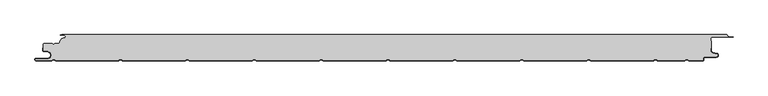
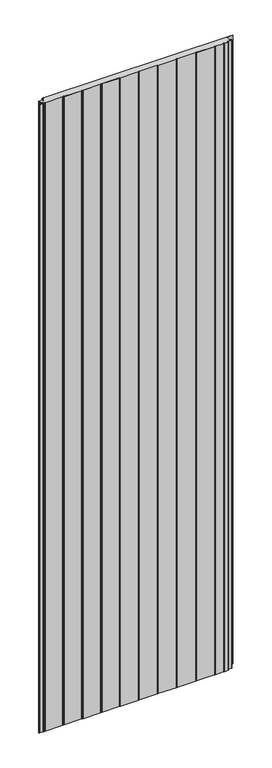
"""IFC4 building model written with IfcOpenShell, lengths in millimetres: plate geometry."""

from ifc_helpers import new_model, si_unit, point, frame, frame_2d, origin, origin_with_axes, place, context, project, spatial, polyline, circle_curve, trimmed, segment, composite_curve, outline, extrude, source, transform, mapped, element, save
from ifc_brep_helpers import plane_surface, cylinder_surface, revolved_surface, advanced_brep


def plate_501153e1(model_context):
    return source(origin(), model_context, "Body", "SolidModel", [
        advanced_brep(
        [(523.8595905, -2.0325427, 3500.0), (522.5460884, -0.8, 3500.0), (-471.6637731, -0.8, 3500.0), (-474.0000003, -1.3234618, 3500.0), (-468.0000003, -1.3234618, 3500.0), (-468.1134423, -5.9206625, 3500.0), (-474.1919837, -12.028303, 3500.0), (-476.0000003, -13.9234618, 3500.0), (-482.1686293, -13.9234618, 3500.0), (-484.0000002, -15.7548327, 3500.0), (-485.831371, -13.9234618, 3500.0), (-497.4, -13.9234618, 3500.0), (-499.2, -15.7234618, 3500.0), (-499.2, -24.0038437, 3500.0), (-498.2083778, -25.185613, 3500.0), (-491.7622998, -26.3222305, 3500.0), (-492.7, -37.0401924, 3500.0), (-509.7, -37.0401924, 3500.0), (-509.7, -39.2401924, 3500.0), (-486.6751286, -39.2401924, 3500.0), (-484.45, -37.9555137, 3500.0), (-482.7606357, -37.9494241, 3500.0), (-480.4557934, -39.2, 3500.0), (-386.6055134, -39.2, 3500.0), (-384.45, -37.9555137, 3500.0), (-382.7606357, -37.9494241, 3500.0), (-380.4557934, -39.2, 3500.0), (-286.6055134, -39.2, 3500.0), (-284.45, -37.9555137, 3500.0), (-282.7606357, -37.9494242, 3500.0), (-280.4557934, -39.2, 3500.0), (-186.6055134, -39.2, 3500.0), (-184.45, -37.9555137, 3500.0), (-182.7606357, -37.9494242, 3500.0), (-180.4557934, -39.2, 3500.0), (-86.6055134, -39.2, 3500.0), (-84.45, -37.9555137, 3500.0), (-82.7606357, -37.9494242, 3500.0), (-80.4557934, -39.2, 3500.0), (13.3944866, -39.2, 3500.0), (15.55, -37.9555137, 3500.0), (17.2393643, -37.9494242, 3500.0), (19.5442066, -39.2, 3500.0), (113.3944866, -39.2, 3500.0), (115.55, -37.9555137, 3500.0), (117.2393643, -37.9494242, 3500.0), (119.5442066, -39.2, 3500.0), (213.3944866, -39.2, 3500.0), (215.55, -37.9555137, 3500.0), (217.2393643, -37.9494242, 3500.0), (219.5442066, -39.2, 3500.0), (313.3944866, -39.2, 3500.0), (315.55, -37.9555137, 3500.0), (317.2393643, -37.9494242, 3500.0), (319.5442066, -39.2, 3500.0), (413.3944866, -39.2, 3500.0), (415.55, -37.9555138, 3500.0), (417.2393643, -37.9494242, 3500.0), (419.5442066, -39.2000001, 3500.0), (460.2243041, -39.2000001, 3500.0), (462.3798174, -37.9555138, 3500.0), (464.0741626, -37.9522634, 3500.0), (466.3793035, -39.2401924, 3500.0), (487.0105556, -39.2401924, 3500.0), (487.6105556, -38.6401924, 3500.0), (487.6105556, -37.2401924, 3500.0), (491.0105556, -33.8401924, 3500.0), (507.5, -33.8401924, 3500.0), (507.9948923, -29.4965783, 3500.0), (501.8351664, -28.0744935, 3500.0), (499.2, -24.7616353, 3500.0), (499.2, -20.6401924, 3500.0), (500.0, -20.6401924, 3500.0), (500.0, -10.3245382, 3500.0), (499.2, -10.3245382, 3500.0), (499.2, -6.8245382, 3500.0), (502.0, -4.0245382, 3500.0), (532.5, -4.0245382, 3500.0), (525.8912786, -3.5911794, 3500.0), (523.8595905, -2.0325427, 0.0), (525.8912786, -3.5911794, 0.0), (532.5, -4.0245382, 0.0), (502.0, -4.0245382, 0.0), (499.2, -6.8245382, 0.0), (499.2, -10.3245382, 0.0), (500.0, -10.3245382, 0.0), (500.0, -20.6401924, 0.0), (499.2, -20.6401924, 0.0), (499.2, -24.7616353, 0.0), (501.8351664, -28.0744935, 0.0), (507.9948923, -29.4965783, 0.0), (507.5, -33.8401924, 0.0), (491.0105556, -33.8401924, 0.0), (487.6105556, -37.2401924, 0.0), (487.6105556, -38.6401924, 0.0), (487.0105556, -39.2401924, 0.0), (466.3793035, -39.2401924, 0.0), (464.0741626, -37.9522634, 0.0), (462.3798174, -37.9555138, 0.0), (460.2243041, -39.2000001, 0.0), (419.5442066, -39.2000001, 0.0), (417.2393643, -37.9494242, 0.0), (415.55, -37.9555138, 0.0), (413.3944866, -39.2, 0.0), (319.5442066, -39.2, 0.0), (317.2393643, -37.9494242, 0.0), (315.55, -37.9555137, 0.0), (313.3944866, -39.2, 0.0), (219.5442066, -39.2, 0.0), (217.2393643, -37.9494242, 0.0), (215.55, -37.9555137, 0.0), (213.3944866, -39.2, 0.0), (119.5442066, -39.2, 0.0), (117.2393643, -37.9494242, 0.0), (115.55, -37.9555137, 0.0), (113.3944866, -39.2, 0.0), (19.5442066, -39.2, 0.0), (17.2393643, -37.9494242, 0.0), (15.55, -37.9555137, 0.0), (13.3944866, -39.2, 0.0), (-80.4557934, -39.2, 0.0), (-82.7606357, -37.9494242, 0.0), (-84.45, -37.9555137, 0.0), (-86.6055134, -39.2, 0.0), (-180.4557934, -39.2, 0.0), (-182.7606357, -37.9494242, 0.0), (-184.45, -37.9555137, 0.0), (-186.6055134, -39.2, 0.0), (-280.4557934, -39.2, 0.0), (-282.7606357, -37.9494242, 0.0), (-284.45, -37.9555137, 0.0), (-286.6055134, -39.2, 0.0), (-380.4557934, -39.2, 0.0), (-382.7606357, -37.9494241, 0.0), (-384.45, -37.9555137, 0.0), (-386.6055134, -39.2, 0.0), (-480.4557934, -39.2, 0.0), (-482.7606357, -37.9494241, 0.0), (-484.45, -37.9555137, 0.0), (-486.6751286, -39.2401924, 0.0), (-509.7, -39.2401924, 0.0), (-509.7, -37.0401924, 0.0), (-492.7, -37.0401924, 0.0), (-491.7622998, -26.3222305, 0.0), (-498.2083778, -25.185613, 0.0), (-499.2, -24.0038437, 0.0), (-499.2, -15.7234618, 0.0), (-497.4, -13.9234618, 0.0), (-485.831371, -13.9234618, 0.0), (-484.0000002, -15.7548327, 0.0), (-482.1686293, -13.9234618, 0.0), (-476.0000003, -13.9234618, 0.0), (-474.2024882, -12.0288559, 0.0), (-468.1139291, -5.930521, 0.0), (-468.0000003, -1.3234618, 0.0), (-474.0000003, -1.3234618, 0.0), (-471.6637731, -0.8, 0.0), (522.5460884, -0.8, 0.0)],
        [
            (0, 1, circle_curve(frame((522.5460884, -2.116161, 3500.0), z_axis=(0.0, 0.0, 1.0), x_axis=(1.0, 0.0, 0.0)), 1.316161)),
            (1, 2),
            (2, 3),
            (3, 4),
            (4, 5, circle_curve(frame((-468.0000003, -3.6234618, 3500.0), z_axis=(0.0, 0.0, -1.0), x_axis=(1.0, 0.0, 0.0)), 2.3)),
            (5, 6, circle_curve(frame((-468.4000003, -11.7234618, 3500.0), z_axis=(0.0, 0.0, 1.0), x_axis=(1.0, 0.0, 0.0)), 5.8)),
            (6, 7, circle_curve(frame((-476.0000003, -12.1234618, 3500.0), z_axis=(0.0, 0.0, -1.0), x_axis=(1.0, 0.0, 0.0)), 1.8)),
            (7, 8),
            (8, 9),
            (9, 10),
            (10, 11),
            (11, 12, circle_curve(frame((-497.4, -15.7234618, 3500.0), z_axis=(0.0, 0.0, 1.0), x_axis=(1.0, 0.0, 0.0)), 1.8)),
            (12, 13),
            (13, 14, circle_curve(frame((-498.0, -24.0038437, 3500.0), z_axis=(0.0, 0.0, 1.0), x_axis=(1.0, 0.0, 0.0)), 1.2)),
            (14, 15),
            (15, 16, circle_curve(frame((-492.7, -31.6401924, 3500.0), z_axis=(0.0, 0.0, -1.0), x_axis=(1.0, 0.0, 0.0)), 5.4)),
            (16, 17),
            (17, 18, circle_curve(frame((-509.7, -38.1401924, 3500.0), z_axis=(0.0, 0.0, 1.0), x_axis=(1.0, 0.0, 0.0)), 1.1)),
            (18, 19),
            (19, 20),
            (20, 21, circle_curve(frame((-483.6, -39.4277569, 3500.0), z_axis=(0.0, 0.0, -1.0), x_axis=(1.0, 0.0, 0.0)), 1.7)),
            (21, 22),
            (22, 23),
            (23, 24),
            (24, 25, circle_curve(frame((-383.6, -39.4277569, 3500.0), z_axis=(0.0, 0.0, -1.0), x_axis=(1.0, 0.0, 0.0)), 1.7)),
            (25, 26),
            (26, 27),
            (27, 28),
            (28, 29, circle_curve(frame((-283.6, -39.4277569, 3500.0), z_axis=(0.0, 0.0, -1.0), x_axis=(1.0, 0.0, 0.0)), 1.7)),
            (29, 30),
            (30, 31),
            (31, 32),
            (32, 33, circle_curve(frame((-183.6, -39.4277569, 3500.0), z_axis=(0.0, 0.0, -1.0), x_axis=(1.0, 0.0, 0.0)), 1.7)),
            (33, 34),
            (34, 35),
            (35, 36),
            (36, 37, circle_curve(frame((-83.6, -39.4277569, 3500.0), z_axis=(0.0, 0.0, -1.0), x_axis=(1.0, 0.0, 0.0)), 1.7)),
            (37, 38),
            (38, 39),
            (39, 40),
            (40, 41, circle_curve(frame((16.4, -39.4277569, 3500.0), z_axis=(0.0, 0.0, -1.0), x_axis=(1.0, 0.0, 0.0)), 1.7)),
            (41, 42),
            (42, 43),
            (43, 44),
            (44, 45, circle_curve(frame((116.4, -39.4277569, 3500.0), z_axis=(0.0, 0.0, -1.0), x_axis=(1.0, 0.0, 0.0)), 1.7)),
            (45, 46),
            (46, 47),
            (47, 48),
            (48, 49, circle_curve(frame((216.4, -39.4277569, 3500.0), z_axis=(0.0, 0.0, -1.0), x_axis=(1.0, 0.0, 0.0)), 1.7)),
            (49, 50),
            (50, 51),
            (51, 52),
            (52, 53, circle_curve(frame((316.4, -39.4277569, 3500.0), z_axis=(0.0, 0.0, -1.0), x_axis=(1.0, 0.0, 0.0)), 1.7)),
            (53, 54),
            (54, 55),
            (55, 56),
            (56, 57, circle_curve(frame((416.4, -39.4277569, 3500.0), z_axis=(0.0, 0.0, -1.0), x_axis=(1.0, 0.0, 0.0)), 1.7)),
            (57, 58),
            (58, 59),
            (59, 60),
            (60, 61, circle_curve(frame((463.2298174, -39.4277569, 3500.0), z_axis=(0.0, 0.0, -1.0), x_axis=(1.0, 0.0, 0.0)), 1.7)),
            (61, 62),
            (62, 63),
            (63, 64, circle_curve(frame((487.0105556, -38.6401924, 3500.0), z_axis=(0.0, 0.0, 1.0), x_axis=(1.0, 0.0, 0.0)), 0.6)),
            (64, 65),
            (65, 66, circle_curve(frame((491.0105556, -37.2401924, 3500.0), z_axis=(0.0, 0.0, -1.0), x_axis=(1.0, 0.0, 0.0)), 3.4)),
            (66, 67),
            (67, 68, circle_curve(frame((507.5, -31.6401924, 3500.0), z_axis=(0.0, 0.0, 1.0), x_axis=(1.0, 0.0, 0.0)), 2.2)),
            (68, 69),
            (69, 70, circle_curve(frame((502.6, -24.7616353, 3500.0), z_axis=(0.0, 0.0, -1.0), x_axis=(1.0, 0.0, 0.0)), 3.4)),
            (70, 71),
            (71, 72),
            (72, 73),
            (73, 74),
            (74, 75),
            (75, 76, circle_curve(frame((502.0, -6.8245382, 3500.0), z_axis=(0.0, 0.0, -1.0), x_axis=(1.0, 0.0, 0.0)), 2.8)),
            (76, 77),
            (77, 78),
            (78, 0, circle_curve(frame((525.5561562, -1.9245382, 3500.0), z_axis=(0.0, 0.0, -1.0), x_axis=(1.0, 0.0, 0.0)), 1.7)),
            (79, 80, circle_curve(frame((525.5561562, -1.9245382, 0.0), z_axis=(0.0, 0.0, 1.0), x_axis=(1.0, 0.0, 0.0)), 1.7)),
            (80, 81),
            (81, 82),
            (82, 83, circle_curve(frame((502.0, -6.8245382, 0.0), z_axis=(0.0, 0.0, 1.0), x_axis=(1.0, 0.0, 0.0)), 2.8)),
            (83, 84),
            (84, 85),
            (85, 86),
            (86, 87),
            (87, 88),
            (88, 89, circle_curve(frame((502.6, -24.7616353, 0.0), z_axis=(0.0, 0.0, 1.0), x_axis=(1.0, 0.0, 0.0)), 3.4)),
            (89, 90),
            (90, 91, circle_curve(frame((507.5, -31.6401924, 0.0), z_axis=(0.0, 0.0, -1.0), x_axis=(1.0, 0.0, 0.0)), 2.2)),
            (91, 92),
            (92, 93, circle_curve(frame((491.0105556, -37.2401924, 0.0), z_axis=(0.0, 0.0, 1.0), x_axis=(1.0, 0.0, 0.0)), 3.4)),
            (93, 94),
            (94, 95, circle_curve(frame((487.0105556, -38.6401924, 0.0), z_axis=(0.0, 0.0, -1.0), x_axis=(1.0, 0.0, 0.0)), 0.6)),
            (95, 96),
            (96, 97),
            (97, 98, circle_curve(frame((463.2298174, -39.4277569, 0.0), z_axis=(0.0, 0.0, 1.0), x_axis=(1.0, 0.0, 0.0)), 1.7)),
            (98, 99),
            (99, 100),
            (100, 101),
            (101, 102, circle_curve(frame((416.4, -39.4277569, 0.0), z_axis=(0.0, 0.0, 1.0), x_axis=(1.0, 0.0, 0.0)), 1.7)),
            (102, 103),
            (103, 104),
            (104, 105),
            (105, 106, circle_curve(frame((316.4, -39.4277569, 0.0), z_axis=(0.0, 0.0, 1.0), x_axis=(1.0, 0.0, 0.0)), 1.7)),
            (106, 107),
            (107, 108),
            (108, 109),
            (109, 110, circle_curve(frame((216.4, -39.4277569, 0.0), z_axis=(0.0, 0.0, 1.0), x_axis=(1.0, 0.0, 0.0)), 1.7)),
            (110, 111),
            (111, 112),
            (112, 113),
            (113, 114, circle_curve(frame((116.4, -39.4277569, 0.0), z_axis=(0.0, 0.0, 1.0), x_axis=(1.0, 0.0, 0.0)), 1.7)),
            (114, 115),
            (115, 116),
            (116, 117),
            (117, 118, circle_curve(frame((16.4, -39.4277569, 0.0), z_axis=(0.0, 0.0, 1.0), x_axis=(1.0, 0.0, 0.0)), 1.7)),
            (118, 119),
            (119, 120),
            (120, 121),
            (121, 122, circle_curve(frame((-83.6, -39.4277569, 0.0), z_axis=(0.0, 0.0, 1.0), x_axis=(1.0, 0.0, 0.0)), 1.7)),
            (122, 123),
            (123, 124),
            (124, 125),
            (125, 126, circle_curve(frame((-183.6, -39.4277569, 0.0), z_axis=(0.0, 0.0, 1.0), x_axis=(1.0, 0.0, 0.0)), 1.7)),
            (126, 127),
            (127, 128),
            (128, 129),
            (129, 130, circle_curve(frame((-283.6, -39.4277569, 0.0), z_axis=(0.0, 0.0, 1.0), x_axis=(1.0, 0.0, 0.0)), 1.7)),
            (130, 131),
            (131, 132),
            (132, 133),
            (133, 134, circle_curve(frame((-383.6, -39.4277569, 0.0), z_axis=(0.0, 0.0, 1.0), x_axis=(1.0, 0.0, 0.0)), 1.7)),
            (134, 135),
            (135, 136),
            (136, 137),
            (137, 138, circle_curve(frame((-483.6, -39.4277569, 0.0), z_axis=(0.0, 0.0, 1.0), x_axis=(1.0, 0.0, 0.0)), 1.7)),
            (138, 139),
            (139, 140),
            (140, 141, circle_curve(frame((-509.7, -38.1401924, 0.0), z_axis=(0.0, 0.0, -1.0), x_axis=(1.0, 0.0, 0.0)), 1.1)),
            (141, 142),
            (142, 143, circle_curve(frame((-492.7, -31.6401924, 0.0), z_axis=(0.0, 0.0, 1.0), x_axis=(1.0, 0.0, 0.0)), 5.4)),
            (143, 144),
            (144, 145, circle_curve(frame((-498.0, -24.0038437, 0.0), z_axis=(0.0, 0.0, -1.0), x_axis=(1.0, 0.0, 0.0)), 1.2)),
            (145, 146),
            (146, 147, circle_curve(frame((-497.4, -15.7234618, 0.0), z_axis=(0.0, 0.0, -1.0), x_axis=(1.0, 0.0, 0.0)), 1.8)),
            (147, 148),
            (148, 149),
            (149, 150),
            (150, 151),
            (151, 152, circle_curve(frame((-476.0000003, -12.1234618, 0.0), z_axis=(0.0, 0.0, 1.0), x_axis=(1.0, 0.0, 0.0)), 1.8)),
            (152, 153, circle_curve(frame((-468.4000003, -11.7234618, 0.0), z_axis=(0.0, 0.0, -1.0), x_axis=(1.0, 0.0, 0.0)), 5.8)),
            (153, 154, circle_curve(frame((-468.0000003, -3.6234618, 0.0), z_axis=(0.0, 0.0, 1.0), x_axis=(1.0, 0.0, 0.0)), 2.3)),
            (154, 155),
            (155, 156),
            (156, 157),
            (157, 79, circle_curve(frame((522.5460884, -2.116161, 0.0), z_axis=(0.0, 0.0, -1.0), x_axis=(1.0, 0.0, 0.0)), 1.316161)),
            (0, 79),
            (157, 1),
            (156, 2),
            (155, 3),
            (154, 4),
            (153, 5),
            (152, 6),
            (151, 7),
            (150, 8),
            (149, 9),
            (148, 10),
            (147, 11),
            (146, 12),
            (145, 13),
            (144, 14),
            (143, 15),
            (142, 16),
            (141, 17),
            (140, 18),
            (139, 19),
            (138, 20),
            (137, 21),
            (136, 22),
            (135, 23),
            (134, 24),
            (133, 25),
            (132, 26),
            (131, 27),
            (130, 28),
            (129, 29),
            (128, 30),
            (127, 31),
            (126, 32),
            (125, 33),
            (124, 34),
            (123, 35),
            (122, 36),
            (121, 37),
            (120, 38),
            (119, 39),
            (118, 40),
            (117, 41),
            (116, 42),
            (115, 43),
            (114, 44),
            (113, 45),
            (112, 46),
            (111, 47),
            (110, 48),
            (109, 49),
            (108, 50),
            (107, 51),
            (106, 52),
            (105, 53),
            (104, 54),
            (103, 55),
            (102, 56),
            (101, 57),
            (100, 58),
            (99, 59),
            (98, 60),
            (97, 61),
            (96, 62),
            (95, 63),
            (94, 64),
            (93, 65),
            (92, 66),
            (91, 67),
            (90, 68),
            (89, 69),
            (88, 70),
            (87, 71),
            (86, 72),
            (85, 73),
            (84, 74),
            (83, 75),
            (82, 76),
            (81, 77),
            (80, 78),
        ],
        [
            plane_surface(frame((-500.0, -40.0, 3500.0), z_axis=(0.0, 0.0, 1.0), x_axis=(0.0, 1.0, 0.0))),
            plane_surface(frame((-500.0, -40.0, 0.0), z_axis=(0.0, 0.0, -1.0), x_axis=(0.0, 1.0, 0.0))),
            cylinder_surface(frame((522.5460884, -2.116161, 3500.0), z_axis=(0.0, 0.0, 1.0), x_axis=(1.0, 0.0, 0.0)), 1.316161),
            plane_surface(frame((522.5460884, -0.8, 3500.0), z_axis=(0.0, 1.0, 0.0), x_axis=(0.0, 0.0, -1.0))),
            plane_surface(frame((-471.6637731, -0.8, 3500.0), z_axis=(-0.2186417328283014, 0.9758052022129405, 0.0), x_axis=(0.0, 0.0, -1.0))),
            plane_surface(frame((-474.0000003, -1.3234618, 3500.0), z_axis=(0.0, -1.0, 0.0), x_axis=(0.0, 0.0, -1.0))),
            revolved_surface(polyline([(-465.7000003, -3.6234618, 0.0), (-465.7000003, -3.6234618, 3500.0)]), (-468.0000003, -3.6234618, 3500.0), (0.0, 0.0, -1.0)),
            cylinder_surface(frame((-468.4000003, -11.7234618, 3500.0), z_axis=(0.0, 0.0, 1.0), x_axis=(1.0, 0.0, 0.0)), 5.8),
            revolved_surface(polyline([(-474.2000003, -12.1234618, 0.0), (-474.2000003, -12.1234618, 3500.0)]), (-476.0000003, -12.1234618, 3500.0), (0.0, 0.0, -1.0)),
            plane_surface(frame((-476.0000003, -13.9234618, 3500.0), z_axis=(0.0, 1.0, 0.0), x_axis=(0.0, 0.0, -1.0))),
            plane_surface(frame((-482.1686293, -13.9234618, 3500.0), z_axis=(-0.707106781023168, 0.7071067813499271, 0.0), x_axis=(0.0, 0.0, -1.0))),
            plane_surface(frame((-484.0000002, -15.7548327, 3500.0), z_axis=(0.7071067813499271, 0.7071067810231679, 0.0), x_axis=(0.0, 0.0, -1.0))),
            plane_surface(frame((-485.831371, -13.9234618, 3500.0), z_axis=(0.0, 1.0, 0.0), x_axis=(0.0, 0.0, -1.0))),
            cylinder_surface(frame((-497.4, -15.7234618, 3500.0), z_axis=(0.0, 0.0, 1.0), x_axis=(1.0, 0.0, 0.0)), 1.8),
            plane_surface(frame((-499.2, -17.1226667, 3500.0), z_axis=(-1.0, 0.0, 0.0), x_axis=(0.0, 0.0, -1.0))),
            cylinder_surface(frame((-498.0, -24.0038437, 3500.0), z_axis=(0.0, 0.0, 1.0), x_axis=(1.0, 0.0, 0.0)), 1.2),
            plane_surface(frame((-498.2083778, -25.185613, 3500.0), z_axis=(-0.1736481776669248, -0.984807753012209, 0.0), x_axis=(0.0, 0.0, -1.0))),
            revolved_surface(polyline([(-487.3, -31.6401924, 0.0), (-487.3, -31.6401924, 3500.0)]), (-492.7, -31.6401924, 3500.0), (0.0, 0.0, -1.0)),
            plane_surface(frame((-492.7, -37.0401924, 3500.0), z_axis=(0.0, 1.0, 0.0), x_axis=(0.0, 0.0, -1.0))),
            cylinder_surface(frame((-509.7, -38.1401924, 3500.0), z_axis=(0.0, 0.0, 1.0), x_axis=(1.0, 0.0, 0.0)), 1.1),
            plane_surface(frame((-509.7, -39.2401924, 3500.0), z_axis=(0.0, -1.0, 0.0), x_axis=(0.0, 0.0, -1.0))),
            plane_surface(frame((-486.6751286, -39.2401924, 3500.0), z_axis=(0.5000000299311667, -0.8660253865036709, 0.0), x_axis=(0.0, 0.0, -1.0))),
            revolved_surface(polyline([(-481.90000000000003, -39.4277569, 0.0), (-481.90000000000003, -39.4277569, 3500.0)]), (-483.6, -39.4277569, 3500.0), (0.0, 0.0, -1.0)),
            plane_surface(frame((-482.7606357, -37.9494241, 3500.0), z_axis=(-0.47690797328217005, -0.878953232555574, 0.0), x_axis=(0.0, 0.0, -1.0))),
            plane_surface(frame((-480.4557934, -39.2, 3500.0), z_axis=(0.0, -1.0, 0.0), x_axis=(0.0, 0.0, -1.0))),
            plane_surface(frame((-386.6055134, -39.2, 3500.0), z_axis=(0.5000000299307237, -0.8660253865039267, 0.0), x_axis=(0.0, 0.0, -1.0))),
            revolved_surface(polyline([(-381.90000000000003, -39.4277569, 0.0), (-381.90000000000003, -39.4277569, 3500.0)]), (-383.6, -39.4277569, 3500.0), (0.0, 0.0, -1.0)),
            plane_surface(frame((-382.7606357, -37.9494241, 3500.0), z_axis=(-0.4769079732821666, -0.8789532325555759, 0.0), x_axis=(0.0, 0.0, -1.0))),
            plane_surface(frame((-380.4557934, -39.2, 3500.0), z_axis=(0.0, -1.0, 0.0), x_axis=(0.0, 0.0, -1.0))),
            plane_surface(frame((-286.6055134, -39.2, 3500.0), z_axis=(0.5000000299311692, -0.8660253865036693, 0.0), x_axis=(0.0, 0.0, -1.0))),
            revolved_surface(polyline([(-281.90000000000003, -39.4277569, 0.0), (-281.90000000000003, -39.4277569, 3500.0)]), (-283.6, -39.4277569, 3500.0), (0.0, 0.0, -1.0)),
            plane_surface(frame((-282.7606357, -37.9494242, 3500.0), z_axis=(-0.4769079732821966, -0.8789532325555597, 0.0), x_axis=(0.0, 0.0, -1.0))),
            plane_surface(frame((-280.4557934, -39.2, 3500.0), z_axis=(0.0, -1.0, 0.0), x_axis=(0.0, 0.0, -1.0))),
            plane_surface(frame((-186.6055134, -39.2, 3500.0), z_axis=(0.5000000299307252, -0.8660253865039258, 0.0), x_axis=(0.0, 0.0, -1.0))),
            revolved_surface(polyline([(-181.9, -39.4277569, 0.0), (-181.9, -39.4277569, 3500.0)]), (-183.6, -39.4277569, 3500.0), (0.0, 0.0, -1.0)),
            plane_surface(frame((-182.7606357, -37.9494242, 3500.0), z_axis=(-0.4769079732823461, -0.8789532325554785, 0.0), x_axis=(0.0, 0.0, -1.0))),
            plane_surface(frame((-180.4557934, -39.2, 3500.0), z_axis=(0.0, -1.0, 0.0), x_axis=(0.0, 0.0, -1.0))),
            plane_surface(frame((-86.6055134, -39.2, 3500.0), z_axis=(0.5000000299313181, -0.8660253865035835, 0.0), x_axis=(0.0, 0.0, -1.0))),
            revolved_surface(polyline([(-81.89999999999999, -39.4277569, 0.0), (-81.89999999999999, -39.4277569, 3500.0)]), (-83.6, -39.4277569, 3500.0), (0.0, 0.0, -1.0)),
            plane_surface(frame((-82.7606357, -37.9494242, 3500.0), z_axis=(-0.4769079732823407, -0.8789532325554815, 0.0), x_axis=(0.0, 0.0, -1.0))),
            plane_surface(frame((-80.4557934, -39.2, 3500.0), z_axis=(0.0, -1.0, 0.0), x_axis=(0.0, 0.0, -1.0))),
            plane_surface(frame((13.3944866, -39.2, 3500.0), z_axis=(0.500000029930723, -0.866025386503927, 0.0), x_axis=(0.0, 0.0, -1.0))),
            revolved_surface(polyline([(18.099999999999998, -39.4277569, 0.0), (18.099999999999998, -39.4277569, 3500.0)]), (16.4, -39.4277569, 3500.0), (0.0, 0.0, -1.0)),
            plane_surface(frame((17.2393643, -37.9494242, 3500.0), z_axis=(-0.4769079732822356, -0.8789532325555385, 0.0), x_axis=(0.0, 0.0, -1.0))),
            plane_surface(frame((19.5442066, -39.2, 3500.0), z_axis=(0.0, -1.0, 0.0), x_axis=(0.0, 0.0, -1.0))),
            plane_surface(frame((113.3944866, -39.2, 3500.0), z_axis=(0.5000000299311671, -0.8660253865036706, 0.0), x_axis=(0.0, 0.0, -1.0))),
            revolved_surface(polyline([(118.10000000000001, -39.4277569, 0.0), (118.10000000000001, -39.4277569, 3500.0)]), (116.4, -39.4277569, 3500.0), (0.0, 0.0, -1.0)),
            plane_surface(frame((117.2393643, -37.9494242, 3500.0), z_axis=(-0.4769079732821772, -0.8789532325555701, 0.0), x_axis=(0.0, 0.0, -1.0))),
            plane_surface(frame((119.5442066, -39.2, 3500.0), z_axis=(0.0, -1.0, 0.0), x_axis=(0.0, 0.0, -1.0))),
            plane_surface(frame((213.3944866, -39.2, 3500.0), z_axis=(0.5000000299307268, -0.8660253865039248, 0.0), x_axis=(0.0, 0.0, -1.0))),
            revolved_surface(polyline([(218.1, -39.4277569, 0.0), (218.1, -39.4277569, 3500.0)]), (216.4, -39.4277569, 3500.0), (0.0, 0.0, -1.0)),
            plane_surface(frame((217.2393643, -37.9494242, 3500.0), z_axis=(-0.4769079732821906, -0.8789532325555629, 0.0), x_axis=(0.0, 0.0, -1.0))),
            plane_surface(frame((219.5442066, -39.2, 3500.0), z_axis=(0.0, -1.0, 0.0), x_axis=(0.0, 0.0, -1.0))),
            plane_surface(frame((313.3944866, -39.2, 3500.0), z_axis=(0.5000000299311079, -0.8660253865037049, 0.0), x_axis=(0.0, 0.0, -1.0))),
            revolved_surface(polyline([(318.09999999999997, -39.4277569, 0.0), (318.09999999999997, -39.4277569, 3500.0)]), (316.4, -39.4277569, 3500.0), (0.0, 0.0, -1.0)),
            plane_surface(frame((317.2393643, -37.9494242, 3500.0), z_axis=(-0.476907973282159, -0.8789532325555801, 0.0), x_axis=(0.0, 0.0, -1.0))),
            plane_surface(frame((319.5442066, -39.2, 3500.0), z_axis=(0.0, -1.0, 0.0), x_axis=(0.0, 0.0, -1.0))),
            plane_surface(frame((413.3944866, -39.2, 3500.0), z_axis=(0.5000000299307292, -0.8660253865039235, 0.0), x_axis=(0.0, 0.0, -1.0))),
            revolved_surface(polyline([(418.09999999999997, -39.4277569, 0.0), (418.09999999999997, -39.4277569, 3500.0)]), (416.4, -39.4277569, 3500.0), (0.0, 0.0, -1.0)),
            plane_surface(frame((417.2393643, -37.9494242, 3500.0), z_axis=(-0.47690797328237156, -0.8789532325554646, 0.0), x_axis=(0.0, 0.0, -1.0))),
            plane_surface(frame((419.5442066, -39.2000001, 3500.0), z_axis=(0.0, -1.0, 0.0), x_axis=(0.0, 0.0, -1.0))),
            plane_surface(frame((460.2243041, -39.2000001, 3500.0), z_axis=(0.5000000299306834, -0.86602538650395, 0.0), x_axis=(0.0, 0.0, -1.0))),
            revolved_surface(polyline([(464.9298174, -39.4277569, 0.0), (464.9298174, -39.4277569, 3500.0)]), (463.2298174, -39.4277569, 3500.0), (0.0, 0.0, -1.0)),
            plane_surface(frame((464.0741626, -37.9522634, 3500.0), z_axis=(-0.48775269747067673, -0.8729818475260975, 0.0), x_axis=(0.0, 0.0, -1.0))),
            plane_surface(frame((466.3793035, -39.2401924, 3500.0), z_axis=(0.0, -1.0, 0.0), x_axis=(0.0, 0.0, -1.0))),
            cylinder_surface(frame((487.0105556, -38.6401924, 3500.0), z_axis=(0.0, 0.0, 1.0), x_axis=(1.0, 0.0, 0.0)), 0.6),
            plane_surface(frame((487.6105556, -38.6401924, 3500.0), z_axis=(1.0, 0.0, 0.0), x_axis=(0.0, 0.0, -1.0))),
            revolved_surface(polyline([(494.41055559999995, -37.2401924, 0.0), (494.41055559999995, -37.2401924, 3500.0)]), (491.0105556, -37.2401924, 3500.0), (0.0, 0.0, -1.0)),
            plane_surface(frame((491.0105556, -33.8401924, 3500.0), z_axis=(0.0, -1.0, 0.0), x_axis=(0.0, 0.0, -1.0))),
            cylinder_surface(frame((507.5, -31.6401924, 3500.0), z_axis=(0.0, 0.0, 1.0), x_axis=(1.0, 0.0, 0.0)), 2.2),
            plane_surface(frame((507.9948923, -29.4965783, 3500.0), z_axis=(0.22495105434371662, 0.9743700647852696, 0.0), x_axis=(0.0, 0.0, -1.0))),
            revolved_surface(polyline([(506.0, -24.7616353, 0.0), (506.0, -24.7616353, 3500.0)]), (502.6, -24.7616353, 3500.0), (0.0, 0.0, -1.0)),
            plane_surface(frame((499.2, -24.7616353, 3500.0), z_axis=(1.0, 0.0, 0.0), x_axis=(0.0, 0.0, -1.0))),
            plane_surface(frame((499.2, -20.6401924, 3500.0), z_axis=(0.0, -1.0, 0.0), x_axis=(0.0, 0.0, -1.0))),
            plane_surface(frame((500.0, -20.6401924, 3500.0), z_axis=(1.0, 0.0, 0.0), x_axis=(0.0, 0.0, -1.0))),
            plane_surface(frame((500.0, -10.3245382, 3500.0), z_axis=(0.0, 1.0, 0.0), x_axis=(0.0, 0.0, -1.0))),
            plane_surface(frame((499.2, -10.3245382, 3500.0), z_axis=(1.0, 0.0, 0.0), x_axis=(0.0, 0.0, -1.0))),
            revolved_surface(polyline([(504.8, -6.8245382, 0.0), (504.8, -6.8245382, 3500.0)]), (502.0, -6.8245382, 3500.0), (0.0, 0.0, -1.0)),
            plane_surface(frame((502.0, -4.0245382, 3500.0), z_axis=(0.0, -1.0, 0.0), x_axis=(0.0, 0.0, -1.0))),
            plane_surface(frame((532.5, -4.0245382, 3500.0), z_axis=(0.06543324256080872, 0.9978569490503028, 0.0), x_axis=(0.0, 0.0, -1.0))),
            revolved_surface(polyline([(527.2561562000001, -1.9245382, 0.0), (527.2561562000001, -1.9245382, 3500.0)]), (525.5561562, -1.9245382, 3500.0), (0.0, 0.0, -1.0)),
        ],
        [
            (0, [[1, 2, 3, 4, 5, 6, 7, 8, 9, 10, 11, 12, 13, 14, 15, 16, 17, 18, 19, 20, 21, 22, 23, 24, 25, 26, 27, 28, 29, 30, 31, 32, 33, 34, 35, 36, 37, 38, 39, 40, 41, 42, 43, 44, 45, 46, 47, 48, 49, 50, 51, 52, 53, 54, 55, 56, 57, 58, 59, 60, 61, 62, 63, 64, 65, 66, 67, 68, 69, 70, 71, 72, 73, 74, 75, 76, 77, 78, 79]]),
            (1, [[80, 81, 82, 83, 84, 85, 86, 87, 88, 89, 90, 91, 92, 93, 94, 95, 96, 97, 98, 99, 100, 101, 102, 103, 104, 105, 106, 107, 108, 109, 110, 111, 112, 113, 114, 115, 116, 117, 118, 119, 120, 121, 122, 123, 124, 125, 126, 127, 128, 129, 130, 131, 132, 133, 134, 135, 136, 137, 138, 139, 140, 141, 142, 143, 144, 145, 146, 147, 148, 149, 150, 151, 152, 153, 154, 155, 156, 157, 158]]),
            (2, [[-1, 159, -158, 160]]),
            (3, [[-2, -160, -157, 161]]),
            (4, [[-3, -161, -156, 162]]),
            (5, [[-4, -162, -155, 163]]),
            (6, [[-5, -163, -154, 164]]),
            (7, [[-6, -164, -153, 165]]),
            (8, [[-7, -165, -152, 166]]),
            (9, [[-8, -166, -151, 167]]),
            (10, [[-9, -167, -150, 168]]),
            (11, [[-10, -168, -149, 169]]),
            (12, [[-11, -169, -148, 170]]),
            (13, [[-12, -170, -147, 171]]),
            (14, [[-171, -146, 172, -13]]),
            (15, [[-14, -172, -145, 173]]),
            (16, [[-15, -173, -144, 174]]),
            (17, [[-16, -174, -143, 175]]),
            (18, [[-17, -175, -142, 176]]),
            (19, [[-18, -176, -141, 177]]),
            (20, [[-19, -177, -140, 178]]),
            (21, [[-20, -178, -139, 179]]),
            (22, [[-21, -179, -138, 180]]),
            (23, [[-22, -180, -137, 181]]),
            (24, [[-23, -181, -136, 182]]),
            (25, [[-24, -182, -135, 183]]),
            (26, [[-25, -183, -134, 184]]),
            (27, [[-26, -184, -133, 185]]),
            (28, [[-27, -185, -132, 186]]),
            (29, [[-28, -186, -131, 187]]),
            (30, [[-29, -187, -130, 188]]),
            (31, [[-30, -188, -129, 189]]),
            (32, [[-31, -189, -128, 190]]),
            (33, [[-32, -190, -127, 191]]),
            (34, [[-33, -191, -126, 192]]),
            (35, [[-34, -192, -125, 193]]),
            (36, [[-35, -193, -124, 194]]),
            (37, [[-36, -194, -123, 195]]),
            (38, [[-37, -195, -122, 196]]),
            (39, [[-38, -196, -121, 197]]),
            (40, [[-39, -197, -120, 198]]),
            (41, [[-40, -198, -119, 199]]),
            (42, [[-41, -199, -118, 200]]),
            (43, [[-42, -200, -117, 201]]),
            (44, [[-43, -201, -116, 202]]),
            (45, [[-44, -202, -115, 203]]),
            (46, [[-45, -203, -114, 204]]),
            (47, [[-46, -204, -113, 205]]),
            (48, [[-47, -205, -112, 206]]),
            (49, [[-48, -206, -111, 207]]),
            (50, [[-49, -207, -110, 208]]),
            (51, [[-50, -208, -109, 209]]),
            (52, [[-51, -209, -108, 210]]),
            (53, [[-52, -210, -107, 211]]),
            (54, [[-53, -211, -106, 212]]),
            (55, [[-54, -212, -105, 213]]),
            (56, [[-55, -213, -104, 214]]),
            (57, [[-56, -214, -103, 215]]),
            (58, [[-57, -215, -102, 216]]),
            (59, [[-58, -216, -101, 217]]),
            (60, [[-59, -217, -100, 218]]),
            (61, [[-60, -218, -99, 219]]),
            (62, [[-61, -219, -98, 220]]),
            (63, [[-62, -220, -97, 221]]),
            (64, [[-63, -221, -96, 222]]),
            (65, [[-64, -222, -95, 223]]),
            (66, [[-65, -223, -94, 224]]),
            (67, [[-66, -224, -93, 225]]),
            (68, [[-67, -225, -92, 226]]),
            (69, [[-68, -226, -91, 227]]),
            (70, [[-69, -227, -90, 228]]),
            (71, [[-70, -228, -89, 229]]),
            (72, [[-71, -229, -88, 230]]),
            (73, [[-72, -230, -87, 231]]),
            (74, [[-73, -231, -86, 232]]),
            (75, [[-74, -232, -85, 233]]),
            (76, [[-75, -233, -84, 234]]),
            (77, [[-76, -234, -83, 235]]),
            (78, [[-77, -235, -82, 236]]),
            (79, [[-78, -236, -81, 237]]),
            (80, [[-79, -237, -80, -159]]),
        ],
    ),
        extrude(outline(composite_curve([segment(trimmed(circle_curve(frame_2d((-498.0, -23.9636514)), 2.0), [point((-498.3472964, -25.9332669))], [point((-500.0, -23.9636514))], False, "CARTESIAN"), True, "CONTINUOUS"), segment(polyline([(-500.0, -23.9636514), (-500.0, -20.6), (-499.2, -20.6), (-499.2, -23.9636514)]), True, "CONTINUOUS"), segment(trimmed(circle_curve(frame_2d((-498.0, -23.9636514)), 1.2), [point((-499.2, -23.9636514))], [point((-498.2083778, -25.1454207))], True, "CARTESIAN"), True, "CONTINUOUS"), segment(polyline([(-498.2083778, -25.1454207), (-491.7622998, -26.2820381)]), True, "CONTINUOUS"), segment(trimmed(circle_curve(frame_2d((-492.7, -31.6)), 5.4), [point((-491.7622998, -26.2820381))], [point((-492.7, -37.0))], False, "CARTESIAN"), True, "CONTINUOUS"), segment(polyline([(-492.7, -37.0), (-509.7, -37.0)]), True, "CONTINUOUS"), segment(trimmed(circle_curve(frame_2d((-509.7, -38.1)), 1.1), [point((-509.7, -37.0))], [point((-509.7, -39.2))], True, "CARTESIAN"), True, "CONTINUOUS"), segment(polyline([(-509.7, -39.2), (-486.6751286, -39.2), (-484.45, -37.9153213)]), True, "CONTINUOUS"), segment(trimmed(circle_curve(frame_2d((-483.6, -39.3875645)), 1.7), [point((-484.45, -37.9153213))], [point((-482.7606357, -37.9092318))], False, "CARTESIAN"), True, "CONTINUOUS"), segment(polyline([(-482.7606357, -37.9092318), (-480.4557934, -39.1598076), (-386.6055134, -39.1598076), (-384.4500001, -37.9153213)]), True, "CONTINUOUS"), segment(trimmed(circle_curve(frame_2d((-383.6, -39.3875645)), 1.7), [point((-384.4500001, -37.9153213))], [point((-382.7606357, -37.9092318))], False, "CARTESIAN"), True, "CONTINUOUS"), segment(polyline([(-382.7606357, -37.9092318), (-380.4557934, -39.1598076), (-286.6055134, -39.1598076), (-284.4500001, -37.9153213)]), True, "CONTINUOUS"), segment(trimmed(circle_curve(frame_2d((-283.6, -39.3875645)), 1.7), [point((-284.4500001, -37.9153213))], [point((-282.7606357, -37.9092318))], False, "CARTESIAN"), True, "CONTINUOUS"), segment(polyline([(-282.7606357, -37.9092318), (-280.4557934, -39.1598076), (-186.6055134, -39.1598076), (-184.4500001, -37.9153213)]), True, "CONTINUOUS"), segment(trimmed(circle_curve(frame_2d((-183.6, -39.3875645)), 1.7), [point((-184.4500001, -37.9153213))], [point((-182.7606357, -37.9092318))], False, "CARTESIAN"), True, "CONTINUOUS"), segment(polyline([(-182.7606357, -37.9092318), (-180.4557934, -39.1598076), (-86.6055134, -39.1598076), (-84.4500001, -37.9153214)]), True, "CONTINUOUS"), segment(trimmed(circle_curve(frame_2d((-83.6, -39.3875645)), 1.7), [point((-84.4500001, -37.9153214))], [point((-82.7606357, -37.9092318))], False, "CARTESIAN"), True, "CONTINUOUS"), segment(polyline([(-82.7606357, -37.9092318), (-80.4557934, -39.1598077), (13.3944866, -39.1598077), (15.5499999, -37.9153214)]), True, "CONTINUOUS"), segment(trimmed(circle_curve(frame_2d((16.4, -39.3875645)), 1.7), [point((15.5499999, -37.9153214))], [point((17.2393643, -37.9092318))], False, "CARTESIAN"), True, "CONTINUOUS"), segment(polyline([(17.2393643, -37.9092318), (19.5442066, -39.1598077), (113.3944866, -39.1598077), (115.5499999, -37.9153214)]), True, "CONTINUOUS"), segment(trimmed(circle_curve(frame_2d((116.4, -39.3875645)), 1.7), [point((115.5499999, -37.9153214))], [point((117.2393643, -37.9092318))], False, "CARTESIAN"), True, "CONTINUOUS"), segment(polyline([(117.2393643, -37.9092318), (119.5442066, -39.1598077), (213.3944866, -39.1598077), (215.5499999, -37.9153214)]), True, "CONTINUOUS"), segment(trimmed(circle_curve(frame_2d((216.4, -39.3875645)), 1.7), [point((215.5499999, -37.9153214))], [point((217.2393643, -37.9092318))], False, "CARTESIAN"), True, "CONTINUOUS"), segment(polyline([(217.2393643, -37.9092318), (219.5442066, -39.1598077), (313.3944866, -39.1598077), (315.5499999, -37.9153214)]), True, "CONTINUOUS"), segment(trimmed(circle_curve(frame_2d((316.4, -39.3875645)), 1.7), [point((315.5499999, -37.9153214))], [point((317.2393643, -37.9092318))], False, "CARTESIAN"), True, "CONTINUOUS"), segment(polyline([(317.2393643, -37.9092318), (319.5442066, -39.1598077), (413.3944866, -39.1598077), (415.5499999, -37.9153214)]), True, "CONTINUOUS"), segment(trimmed(circle_curve(frame_2d((416.4, -39.3875645)), 1.7), [point((415.5499999, -37.9153214))], [point((417.2393643, -37.9092318))], False, "CARTESIAN"), True, "CONTINUOUS"), segment(polyline([(417.2393643, -37.9092318), (419.5442066, -39.1598077), (460.224304, -39.1598077), (462.3798174, -37.9153214)]), True, "CONTINUOUS"), segment(trimmed(circle_curve(frame_2d((463.2298174, -39.3875646)), 1.7), [point((462.3798174, -37.9153214))], [point((464.0741625, -37.912071))], False, "CARTESIAN"), True, "CONTINUOUS"), segment(polyline([(464.0741625, -37.912071), (466.3793035, -39.2), (487.0105556, -39.2)]), True, "CONTINUOUS"), segment(trimmed(circle_curve(frame_2d((487.0105556, -38.6)), 0.6), [point((487.0105556, -39.2))], [point((487.6105556, -38.6))], True, "CARTESIAN"), True, "CONTINUOUS"), segment(polyline([(487.6105556, -38.6), (487.6105556, -37.2)]), True, "CONTINUOUS"), segment(trimmed(circle_curve(frame_2d((491.0105556, -37.2)), 3.4), [point((487.6105556, -37.2))], [point((491.0105556, -33.8))], False, "CARTESIAN"), True, "CONTINUOUS"), segment(polyline([(491.0105556, -33.8), (507.5, -33.8)]), True, "CONTINUOUS"), segment(trimmed(circle_curve(frame_2d((507.5, -31.6)), 2.2), [point((507.5, -33.8))], [point((507.9948923, -29.4563859))], True, "CARTESIAN"), True, "CONTINUOUS"), segment(polyline([(507.9948923, -29.4563859), (501.8351664, -28.0343011)]), True, "CONTINUOUS"), segment(trimmed(circle_curve(frame_2d((502.6, -24.7214429)), 3.4), [point((501.8351664, -28.0343011))], [point((499.2, -24.7214429))], False, "CARTESIAN"), True, "CONTINUOUS"), segment(polyline([(499.2, -24.7214429), (499.2, -20.6), (500.0, -20.6), (500.0, -24.7214429)]), True, "CONTINUOUS"), segment(trimmed(circle_curve(frame_2d((502.6, -24.7214429)), 2.6), [point((500.0, -24.7214429))], [point((502.0151273, -27.2548051))], True, "CARTESIAN"), True, "CONTINUOUS"), segment(polyline([(502.0151273, -27.2548051), (508.1748532, -28.6768899)]), True, "CONTINUOUS"), segment(trimmed(circle_curve(frame_2d((507.5, -31.6)), 3.0), [point((508.1748532, -28.6768899))], [point((507.5, -34.6))], False, "CARTESIAN"), True, "CONTINUOUS"), segment(polyline([(507.5, -34.6), (491.0105556, -34.6)]), True, "CONTINUOUS"), segment(trimmed(circle_curve(frame_2d((491.0105556, -37.2)), 2.6), [point((491.0105556, -34.6))], [point((488.4105556, -37.2))], True, "CARTESIAN"), True, "CONTINUOUS"), segment(polyline([(488.4105556, -37.2), (488.4105556, -38.6)]), True, "CONTINUOUS"), segment(trimmed(circle_curve(frame_2d((487.0105556, -38.6)), 1.4), [point((488.4105556, -38.6))], [point((487.0105556, -40.0))], False, "CARTESIAN"), True, "CONTINUOUS"), segment(polyline([(487.0105556, -40.0), (466.1709714, -40.0), (463.6798174, -38.6081417)]), True, "CONTINUOUS"), segment(trimmed(circle_curve(frame_2d((463.2298174, -39.3875646)), 0.9), [point((463.6798174, -38.6081417))], [point((462.7798174, -38.6081417))], True, "CARTESIAN"), True, "CONTINUOUS"), segment(polyline([(462.7798174, -38.6081417), (460.4386634, -39.9598077), (419.341154, -39.9598077), (416.85, -38.6081417)]), True, "CONTINUOUS"), segment(trimmed(circle_curve(frame_2d((416.4, -39.3875645)), 0.9), [point((416.85, -38.6081417))], [point((415.95, -38.6081417))], True, "CARTESIAN"), True, "CONTINUOUS"), segment(polyline([(415.95, -38.6081417), (413.608846, -39.9598077), (319.341154, -39.9598077), (316.85, -38.6081417)]), True, "CONTINUOUS"), segment(trimmed(circle_curve(frame_2d((316.4, -39.3875645)), 0.9), [point((316.85, -38.6081417))], [point((315.95, -38.6081417))], True, "CARTESIAN"), True, "CONTINUOUS"), segment(polyline([(315.95, -38.6081417), (313.608846, -39.9598077), (219.341154, -39.9598077), (216.85, -38.6081417)]), True, "CONTINUOUS"), segment(trimmed(circle_curve(frame_2d((216.4, -39.3875645)), 0.9), [point((216.85, -38.6081417))], [point((215.95, -38.6081417))], True, "CARTESIAN"), True, "CONTINUOUS"), segment(polyline([(215.95, -38.6081417), (213.608846, -39.9598077), (119.341154, -39.9598077), (116.85, -38.6081417)]), True, "CONTINUOUS"), segment(trimmed(circle_curve(frame_2d((116.4, -39.3875645)), 0.9), [point((116.85, -38.6081417))], [point((115.95, -38.6081417))], True, "CARTESIAN"), True, "CONTINUOUS"), segment(polyline([(115.95, -38.6081417), (113.608846, -39.9598077), (19.341154, -39.9598077), (16.85, -38.6081417)]), True, "CONTINUOUS"), segment(trimmed(circle_curve(frame_2d((16.4, -39.3875645)), 0.9), [point((16.85, -38.6081417))], [point((15.95, -38.6081417))], True, "CARTESIAN"), True, "CONTINUOUS"), segment(polyline([(15.95, -38.6081417), (13.608846, -39.9598077), (-80.658846, -39.9598077), (-83.15, -38.6081416)]), True, "CONTINUOUS"), segment(trimmed(circle_curve(frame_2d((-83.6, -39.3875645)), 0.9), [point((-83.15, -38.6081416))], [point((-84.05, -38.6081417))], True, "CARTESIAN"), True, "CONTINUOUS"), segment(polyline([(-84.05, -38.6081417), (-86.391154, -39.9598076), (-180.658846, -39.9598076), (-183.15, -38.6081416)]), True, "CONTINUOUS"), segment(trimmed(circle_curve(frame_2d((-183.6, -39.3875645)), 0.9), [point((-183.15, -38.6081416))], [point((-184.05, -38.6081417))], True, "CARTESIAN"), True, "CONTINUOUS"), segment(polyline([(-184.05, -38.6081417), (-186.391154, -39.9598076), (-280.658846, -39.9598076), (-283.15, -38.6081416)]), True, "CONTINUOUS"), segment(trimmed(circle_curve(frame_2d((-283.6, -39.3875645)), 0.9), [point((-283.15, -38.6081416))], [point((-284.05, -38.6081416))], True, "CARTESIAN"), True, "CONTINUOUS"), segment(polyline([(-284.05, -38.6081416), (-286.391154, -39.9598076), (-380.658846, -39.9598076), (-383.15, -38.6081416)]), True, "CONTINUOUS"), segment(trimmed(circle_curve(frame_2d((-383.6, -39.3875645)), 0.9), [point((-383.15, -38.6081416))], [point((-384.05, -38.6081416))], True, "CARTESIAN"), True, "CONTINUOUS"), segment(polyline([(-384.05, -38.6081416), (-386.391154, -39.9598076), (-480.658846, -39.9598076), (-483.15, -38.6081416)]), True, "CONTINUOUS"), segment(trimmed(circle_curve(frame_2d((-483.6, -39.3875645)), 0.9), [point((-483.15, -38.6081416))], [point((-484.05, -38.6081416))], True, "CARTESIAN"), True, "CONTINUOUS"), segment(polyline([(-484.05, -38.6081416), (-486.4607692, -40.0), (-509.7, -40.0)]), True, "CONTINUOUS"), segment(trimmed(circle_curve(frame_2d((-509.7, -38.1)), 1.9), [point((-509.7, -40.0))], [point((-509.7, -36.2))], False, "CARTESIAN"), True, "CONTINUOUS"), segment(polyline([(-509.7, -36.2), (-492.7, -36.2)]), True, "CONTINUOUS"), segment(trimmed(circle_curve(frame_2d((-492.7, -31.6)), 4.6), [point((-492.7, -36.2))], [point((-491.9012184, -27.0698843))], True, "CARTESIAN"), True, "CONTINUOUS"), segment(polyline([(-491.9012184, -27.0698843), (-498.3472964, -25.9332669)]), True, "CONTINUOUS")], self_intersect=False)), origin_with_axes(), (0.0, 0.0, 1.0), 3500.0),
    ])


if __name__ == "__main__":
    model = new_model("IFC4")
    model_context = context("Model", 3, world=origin())
    ifc_project = project(units=[si_unit("LENGTHUNIT", "METRE", prefix="MILLI")], contexts=[model_context])
    site = spatial("IfcSite", under=ifc_project)
    building = spatial("IfcBuilding", under=site)
    placement = place(None, origin())
    plate_shape = plate_501153e1(model_context)
    element("IfcPlate", 1, at=placement, inside=building, context=model_context, shape_type="MappedRepresentation", body=[
        mapped(plate_shape, transform((0.0, 0.0, 0.0), x_axis=(1.0, 0.0, 0.0), y_axis=(0.0, 1.0, 0.0), z_axis=(0.0, 0.0, 1.0))),
    ])
    save(model, "model.ifc")
